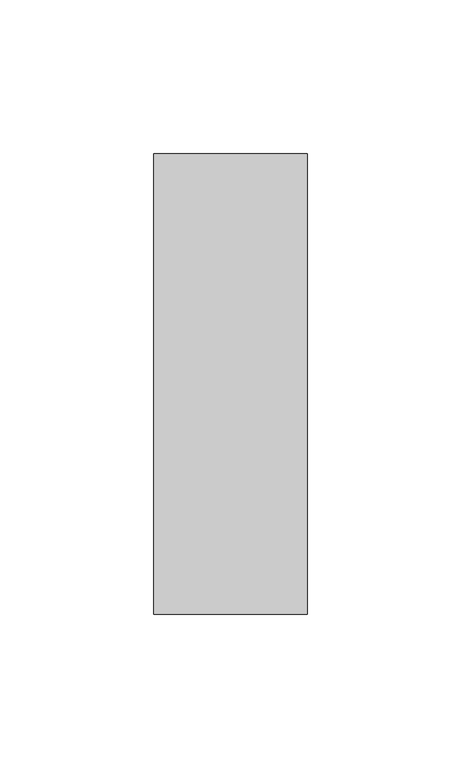
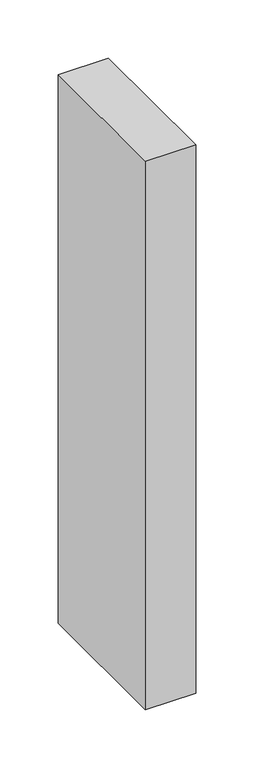
"""IFC4 building model written with IfcOpenShell, lengths in millimetres: member geometry."""

from ifc_helpers import new_model, si_unit, frame, origin, place, context, project, spatial, polyline, outline, extrude, source, transform, mapped, element, save


def member_c6c4f21c(model_context):
    return source(origin(), model_context, "Body", "SweptSolid", [
        extrude(outline(polyline([(0.0, 75.0), (0.0, -75.0), (-50.0, -75.0), (-50.0, 75.0), (0.0, 75.0)])), frame((0.0, 0.0, -576.0), z_axis=(0.0, 0.0, 1.0), x_axis=(1.0, 0.0, 0.0)), (0.0, 0.0, 1.0), 576.0),
    ])


if __name__ == "__main__":
    model = new_model("IFC4")
    model_context = context("Model", 3, world=origin())
    ifc_project = project(units=[si_unit("LENGTHUNIT", "METRE", prefix="MILLI")], contexts=[model_context])
    site = spatial("IfcSite", under=ifc_project)
    building = spatial("IfcBuilding", under=site)
    placement = place(None, origin())
    member_shape = member_c6c4f21c(model_context)
    element("IfcMember", 1, at=placement, inside=building, context=model_context, shape_type="MappedRepresentation", body=[
        mapped(member_shape, transform((0.0, 0.0, 0.0), x_axis=(1.0, 0.0, 0.0), y_axis=(0.0, 1.0, 0.0), z_axis=(0.0, 0.0, 1.0))),
    ])
    save(model, "model.ifc")
